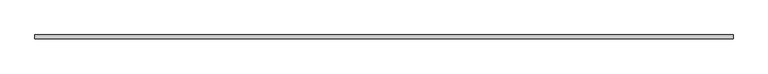
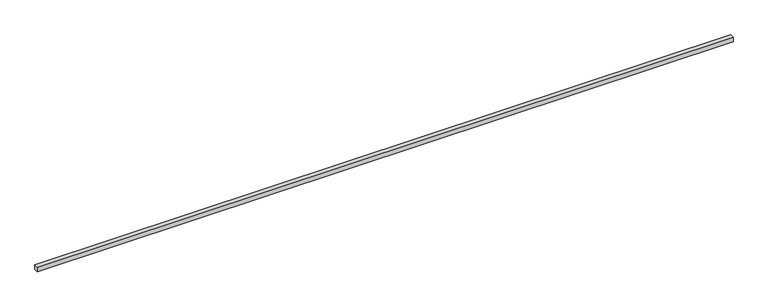
"""IFC4 building model written with IfcOpenShell, lengths in millimetres: proxy geometry."""

from ifc_helpers import new_model, si_unit, origin, origin_with_axes, place, context, project, spatial, polyline, outline, extrude, source, transform, mapped, element, save


def generic_models_e351f626(model_context):
    return source(origin(), model_context, "Body", "SweptSolid", [
        extrude(outline(polyline([(14431.6553505, -40.0), (0.0, -40.0), (0.0, 40.0), (14431.6553505, 40.0), (14431.6553505, -40.0)])), origin_with_axes(), (0.0, 0.0, 1.0), 100.0),
    ])


if __name__ == "__main__":
    model = new_model("IFC4")
    model_context = context("Model", 3, world=origin())
    ifc_project = project(units=[si_unit("LENGTHUNIT", "METRE", prefix="MILLI")], contexts=[model_context])
    site = spatial("IfcSite", under=ifc_project)
    building = spatial("IfcBuilding", under=site)
    placement = place(None, origin())
    generic_models_shape = generic_models_e351f626(model_context)
    element("IfcBuildingElementProxy", 1, Name="Generic Models", at=placement, inside=building, context=model_context, shape_type="MappedRepresentation", body=[
        mapped(generic_models_shape, transform((0.0, 0.0, 0.0), x_axis=(1.0, 0.0, 0.0), y_axis=(0.0, 1.0, 0.0), z_axis=(0.0, 0.0, 1.0))),
    ])
    save(model, "model.ifc")
